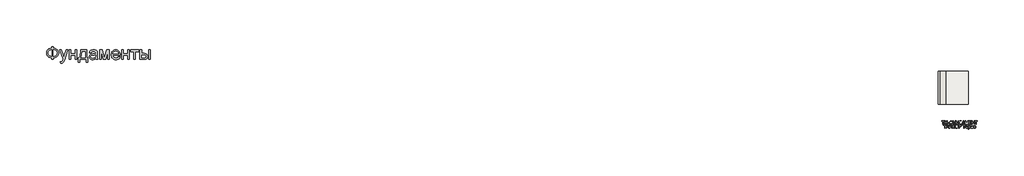
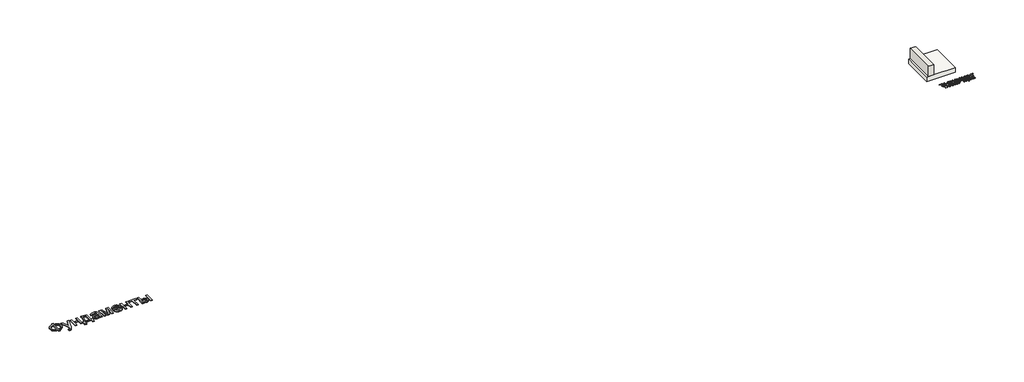
# One storey: 2 proxies, 1 slab, 1 wall.
"""IFC4 building model written with IfcOpenShell, lengths in millimetres."""

from ifc_helpers import new_model, si_unit, origin, origin_with_axes, place, context, project, spatial, polyline, outline, extrude, faceted_brep, element, save

model = new_model("IFC4")

# Units and contexts
model_context = context("Model", 3, world=origin())
ifc_project = project(units=[si_unit("LENGTHUNIT", "METRE", prefix="MILLI")], contexts=[model_context])

# Site, building, storey
site = spatial("IfcSite", under=ifc_project)
building = spatial("IfcBuilding", under=site)
storey = spatial("IfcBuildingStorey", under=building, Elevation=0.0)

# Proxies
placement = place(None, origin())
element("IfcBuildingElementProxy", 1, Name="Generic Models", at=placement, inside=storey, context=model_context, shape_type="SweptSolid", body=[
    extrude(outline(polyline([(-1939.8736325, -26885.7211043), (-1939.8736325, -26787.7817103), (-1841.9342386, -26787.7817103), (-1841.9342386, -26885.7211043), (-1772.0723186, -26894.3529698), (-1709.9695132, -26912.2144755), (-1655.6258224, -26939.3056213), (-1609.0412461, -26975.6264073), (-1571.6743546, -27019.0607113), (-1544.9837177, -27067.4924111), (-1528.9693356, -27120.9215067), (-1523.6312083, -27179.3479982), (-1528.8019587, -27236.6028514), (-1544.3142102, -27289.3863505), (-1570.1679625, -27337.6984954), (-1606.3632158, -27381.5392861), (-1628.1416397, -27401.1761824), (-1652.1109076, -27418.4817577), (-1706.6219753, -27446.0989452), (-1769.896419, -27464.3908486), (-1841.9342386, -27473.3574679), (-1841.9342386, -27571.2968619), (-1939.8736325, -27571.2968619), (-1939.8736325, -27473.3574679), (-2005.3060425, -27466.0586398), (-2065.0237272, -27449.518216), (-2119.0266865, -27423.7361966), (-2167.3149204, -27388.7125816), (-2207.0669327, -27345.8939854), (-2222.6837947, -27322.10405), (-2235.4612272, -27296.7270228), (-2245.3992303, -27269.7629041), (-2252.4978039, -27241.2116938), (-2258.1766628, -27179.3479982), (-2252.5157371, -27117.2033486), (-2245.4395801, -27088.5878775), (-2235.5329602, -27061.6103088), (-2222.7958774, -27036.2706426), (-2207.2283318, -27012.5688789), (-2188.8303234, -26990.5050176), (-2167.6018522, -26970.0790588), (-2119.4032845, -26935.3961753), (-2065.382392, -26909.775555), (-2005.5391746, -26893.217198), (-1939.8736325, -26885.7211043)]), holes=[polyline([(-1841.9342386, -26983.6604982), (-1841.9342386, -27375.418074), (-1793.3949393, -27370.2234125), (-1750.3073446, -27359.2303372), (-1712.6714545, -27342.4388481), (-1680.4872689, -27319.8489452), (-1654.7112272, -27291.9627591), (-1636.2997689, -27259.2824206), (-1625.2528939, -27221.8079296), (-1621.5706022, -27179.5392861), (-1625.1871387, -27137.922217), (-1636.036748, -27100.872146), (-1654.1194303, -27068.389073), (-1679.4351855, -27040.4729982), (-1711.2905951, -27017.6977852), (-1748.9922405, -27000.6372975), (-1792.5401216, -26989.2915352), (-1841.9342386, -26983.6604982)]), polyline([(-1939.8736325, -26983.6604982), (-1986.781007, -26988.5861611), (-2028.989873, -26999.3461043), (-2066.5002305, -27015.9403278), (-2099.3120795, -27038.3688316), (-2125.9668498, -27066.2012179), (-2145.0059715, -27099.0070891), (-2156.4294445, -27136.7864452), (-2160.2372689, -27179.5392861), (-2156.4772665, -27221.9035735), (-2145.1972594, -27259.4737085), (-2126.3972476, -27292.2496909), (-2100.077231, -27320.231521), (-2067.5044919, -27342.8692459), (-2029.9463124, -27359.612913), (-1987.4026926, -27370.4625224), (-1939.8736325, -27375.418074), (-1939.8736325, -26983.6604982)])]), origin_with_axes(), (0.0, 0.0, 1.0), 40.0),
    extrude(outline(polyline([(-1401.2069658, -27791.6604982), (-1413.4493901, -27697.355574), (-1386.764731, -27703.8115399), (-1363.7145416, -27705.9635285), (-1337.5559242, -27703.2615872), (-1317.2315871, -27695.1557634), (-1301.4025151, -27682.2199206), (-1288.7296931, -27665.0279225), (-1261.9493901, -27592.9123922), (-1254.2978749, -27569.1926952), (-1462.4190871, -26995.9029225), (-1359.1236325, -26995.9029225), (-1248.7505264, -27315.35368), (-1210.3016628, -27443.1339831), (-1171.8527992, -27330.2741346), (-1058.4190871, -26995.9029225), (-955.888784, -26995.9029225), (-1156.1671931, -27585.0695891), (-1185.9124583, -27663.4019755), (-1208.1974961, -27712.8498922), (-1234.8343333, -27753.6420323), (-1265.0099961, -27781.9048164), (-1300.0634999, -27798.403396), (-1341.3338598, -27803.9029225), (-1369.6922878, -27800.8423164), (-1401.2069658, -27791.6604982)])), origin_with_axes(), (0.0, 0.0, 1.0), 40.0),
    extrude(outline(polyline([(-874.7827234, -26995.9029225), (-776.8433295, -26995.9029225), (-776.8433295, -27216.2665588), (-519.7524204, -27216.2665588), (-519.7524204, -26995.9029225), (-421.8130264, -26995.9029225), (-421.8130264, -27571.2968619), (-519.7524204, -27571.2968619), (-519.7524204, -27314.2059528), (-776.8433295, -27314.2059528), (-776.8433295, -27571.2968619), (-874.7827234, -27571.2968619), (-874.7827234, -26995.9029225)])), origin_with_axes(), (0.0, 0.0, 1.0), 40.0),
    extrude(outline(polyline([(-189.2069658, -26995.9029225), (178.0657614, -26995.9029225), (178.0657614, -27473.3574679), (251.5203069, -27473.3574679), (251.5203069, -27730.448377), (153.5809129, -27730.448377), (153.5809129, -27571.2968619), (-250.4190871, -27571.2968619), (-250.4190871, -27730.448377), (-348.358481, -27730.448377), (-348.358481, -27473.3574679), (-287.1463598, -27473.3574679), (-263.2293972, -27436.3970631), (-242.648017, -27392.9448259), (-225.4022192, -27343.0007563), (-211.4920037, -27286.5648543), (-200.9173707, -27223.6371199), (-193.67832, -27154.2175531), (-189.7748517, -27078.306154), (-189.2069658, -26995.9029225)]), holes=[polyline([(-103.5099961, -27093.8423164), (-111.5440871, -27213.7559054), (-126.4645416, -27316.979627), (-148.2713598, -27403.5134812), (-161.7571552, -27440.521708), (-176.9645416, -27473.3574679), (80.1263675, -27473.3574679), (80.1263675, -27093.8423164), (-103.5099961, -27093.8423164)])]), origin_with_axes(), (0.0, 0.0, 1.0), 40.0),
    extrude(outline(polyline([(728.9748523, -27497.8423164), (682.181055, -27537.964949), (658.2640924, -27552.8256261), (634.0004205, -27564.2192103), (583.3330436, -27578.7092672), (529.079019, -27583.5392861), (485.4713604, -27580.6341014), (447.2317179, -27571.9185475), (414.3600914, -27557.3926242), (386.8564811, -27537.0563316), (365.1393291, -27512.2008628), (349.6270777, -27484.1174111), (340.3197269, -27452.8059764), (337.2172766, -27418.2665588), (341.9038296, -27377.6657066), (355.9634887, -27340.7949679), (377.650752, -27309.2324679), (405.2201175, -27284.5563316), (437.619502, -27265.9057634), (473.796822, -27252.4199679), (558.5373523, -27237.6908013), (658.6765569, -27222.1964831), (728.4009887, -27204.0241346), (728.9748523, -27182.2173164), (727.2891279, -27158.4737085), (722.2319546, -27138.5080361), (713.8033325, -27122.3202994), (702.0032614, -27109.9104982), (681.6071914, -27097.5246081), (656.7636781, -27088.6775437), (627.4727217, -27083.369305), (593.734322, -27081.5998922), (535.391519, -27086.3103562), (512.8195493, -27092.1984362), (494.6472008, -27100.4417482), (479.7147908, -27111.6858888), (466.8626364, -27126.5764547), (456.0907378, -27145.1134457), (447.3990948, -27167.2968619), (349.4597008, -27155.0544376), (366.4604111, -27101.4938316), (378.0990829, -27079.0175058), (391.829966, -27059.4104982), (408.2448571, -27042.2782776), (427.9355531, -27027.2263126), (450.902054, -27014.2546033), (477.1443599, -27003.3631497), (537.3283088, -26988.5861611), (606.359322, -26983.6604982), (672.5688391, -26988.0122975), (725.0534508, -27001.0676952), (764.6261307, -27020.6986138), (792.0998523, -27044.7769755), (810.3200228, -27074.5461516), (822.1320493, -27111.2495134), (825.718697, -27145.1074679), (826.9142463, -27196.9464831), (826.9142463, -27318.7968619), (828.1576175, -27424.9377236), (831.8877311, -27488.94743), (839.2523145, -27531.0068524), (851.3990948, -27571.2968619), (753.4597008, -27571.2968619), (737.7740948, -27537.2476194), (728.9748523, -27497.8423164)]), holes=[polyline([(728.9748523, -27301.9635285), (663.171822, -27318.2708202), (570.9710645, -27331.9957255), (520.1602217, -27339.5037747), (486.7087539, -27347.8726194), (464.7823807, -27358.7282066), (448.546822, -27373.6964831), (438.5042084, -27391.6297217), (435.1566705, -27411.3801952), (436.9798831, -27426.599537), (442.4495209, -27440.5037747), (451.5655839, -27453.0929083), (464.328072, -27464.3669376), (480.6174305, -27473.6563552), (500.3141042, -27480.2916535), (549.9293978, -27485.5998922), (602.5335645, -27479.7417009), (626.5401932, -27472.4189618), (649.016519, -27462.167127), (686.7002311, -27436.2715304), (712.9066705, -27405.450271), (724.5274092, -27373.6964831), (728.4009887, -27329.700271), (728.9748523, -27301.9635285)])]), origin_with_axes(), (0.0, 0.0, 1.0), 40.0),
    extrude(outline(polyline([(961.5809129, -26995.9029225), (1130.1055342, -26995.9029225), (1259.9900039, -27456.5241346), (1400.0127311, -26995.9029225), (1561.4597008, -26995.9029225), (1561.4597008, -27571.2968619), (1463.5203069, -27571.2968619), (1463.5203069, -27107.9976194), (1322.7324281, -27571.2968619), (1194.1869736, -27571.2968619), (1059.5203069, -27085.8082255), (1059.5203069, -27571.2968619), (961.5809129, -27571.2968619), (961.5809129, -26995.9029225)])), origin_with_axes(), (0.0, 0.0, 1.0), 40.0),
    extrude(outline(polyline([(2111.2210645, -27399.9029225), (2207.2475796, -27412.1453467), (2192.5243907, -27450.6061658), (2172.6483845, -27484.4999869), (2147.6195611, -27513.8268098), (2117.4379205, -27538.5866346), (2082.4143055, -27558.2534196), (2042.8595588, -27572.3011232), (1998.7736805, -27580.7297454), (1950.1566705, -27583.5392861), (1889.3869025, -27578.6913339), (1835.2404773, -27564.1474774), (1787.717395, -27539.9077165), (1746.8176554, -27505.9720513), (1713.9280957, -27463.2849656), (1690.4355531, -27412.7909433), (1676.3400275, -27354.4899845), (1671.641519, -27288.3820891), (1676.3878495, -27220.0325389), (1690.626841, -27159.7888126), (1714.3584934, -27107.6509102), (1747.5828069, -27063.6188316), (1788.374947, -27028.6370607), (1834.8100796, -27003.6500816), (1886.8882046, -26988.6578941), (1944.609322, -26983.6604982), (2000.4713604, -26988.6459386), (2050.9892936, -27003.6022596), (2096.1631218, -27028.5294613), (2135.9928448, -27063.4275437), (2168.5058064, -27107.3639783), (2191.7293504, -27159.4062369), (2205.6634769, -27219.5543192), (2210.3081857, -27287.8082255), (2209.734322, -27314.2059528), (1769.5809129, -27314.2059528), (1775.2537941, -27353.2884575), (1786.5338012, -27387.5170323), (1803.4209343, -27416.8916772), (1825.9151932, -27441.4123922), (1852.773207, -27460.7444234), (1882.7516042, -27474.5530172), (1915.850385, -27482.8381734), (1952.0695493, -27485.5998922), (2004.1954963, -27480.4829414), (2048.0960645, -27465.1320891), (2066.9618315, -27453.3798401), (2083.7712539, -27438.590896), (2098.5243315, -27420.7652567), (2111.2210645, -27399.9029225)]), holes=[polyline([(1769.5809129, -27216.2665588), (2112.3687917, -27216.2665588), (2107.3355294, -27188.5537274), (2099.1221061, -27164.5231876), (2087.7285218, -27144.1749395), (2073.1547766, -27127.5089831), (2046.4462065, -27107.4237558), (2016.0553448, -27093.0771649), (1981.9821914, -27084.4692103), (1944.2267463, -27081.5998922), (1909.7889504, -27083.889369), (1878.2085171, -27090.7577994), (1849.4854466, -27102.2051834), (1823.6197387, -27118.231521), (1801.9145422, -27138.0955716), (1785.6730057, -27161.0560948), (1774.8951293, -27187.1130906), (1769.5809129, -27216.2665588)])]), origin_with_axes(), (0.0, 0.0, 1.0), 40.0),
    extrude(outline(polyline([(2308.2475796, -26995.9029225), (2406.1869736, -26995.9029225), (2406.1869736, -27216.2665588), (2663.2778826, -27216.2665588), (2663.2778826, -26995.9029225), (2761.2172766, -26995.9029225), (2761.2172766, -27571.2968619), (2663.2778826, -27571.2968619), (2663.2778826, -27314.2059528), (2406.1869736, -27314.2059528), (2406.1869736, -27571.2968619), (2308.2475796, -27571.2968619), (2308.2475796, -26995.9029225)])), origin_with_axes(), (0.0, 0.0, 1.0), 40.0),
    extrude(outline(polyline([(2859.1566705, -26995.9029225), (3324.3687917, -26995.9029225), (3324.3687917, -27093.8423164), (3140.7324281, -27093.8423164), (3140.7324281, -27571.2968619), (3042.7930342, -27571.2968619), (3042.7930342, -27093.8423164), (2859.1566705, -27093.8423164), (2859.1566705, -26995.9029225)])), origin_with_axes(), (0.0, 0.0, 1.0), 40.0),
    extrude(outline(polyline([(3948.7324281, -26995.9029225), (4046.671822, -26995.9029225), (4046.671822, -27571.2968619), (3948.7324281, -27571.2968619), (3948.7324281, -26995.9029225)])), origin_with_axes(), (0.0, 0.0, 1.0), 40.0),
    extrude(outline(polyline([(3410.0657614, -26995.9029225), (3508.0051554, -26995.9029225), (3508.0051554, -27204.0241346), (3629.0903826, -27204.0241346), (3684.8089551, -27207.0907184), (3733.7487633, -27216.2904698), (3775.9098074, -27231.6233888), (3811.2920872, -27253.0894755), (3839.2858727, -27279.9474892), (3859.2814338, -27311.4561895), (3871.2787704, -27347.6155763), (3875.2778826, -27388.4256497), (3871.924367, -27424.8361019), (3861.8638201, -27458.5087463), (3845.096242, -27489.443583), (3821.6216326, -27517.6406119), (3790.7824399, -27541.1152212), (3751.9211118, -27557.8827994), (3705.0376483, -27567.9433462), (3650.1320493, -27571.2968619), (3410.0657614, -27571.2968619), (3410.0657614, -26995.9029225)]), holes=[polyline([(3508.0051554, -27473.3574679), (3608.6225796, -27473.3574679), (3686.6202122, -27468.2166062), (3715.8274802, -27461.790529), (3738.5070493, -27452.794021), (3755.495804, -27441.0716606), (3767.6306289, -27426.4680266), (3774.9115237, -27408.983119), (3777.3384887, -27388.6169376), (3775.5391871, -27372.1542245), (3770.1412823, -27356.6240399), (3761.1447742, -27342.0263836), (3748.5496629, -27328.3612558), (3729.8094286, -27316.8122501), (3702.3775512, -27308.5629603), (3666.2540308, -27303.6133865), (3621.4388675, -27301.9635285), (3508.0051554, -27301.9635285), (3508.0051554, -27473.3574679)])]), origin_with_axes(), (0.0, 0.0, 1.0), 40.0),
])
element("IfcBuildingElementProxy", 2, Name="Generic Models", at=placement, inside=storey, context=model_context, shape_type="SweptSolid", body=[
    extrude(outline(polyline([(52161.1342184, -31500.9542334), (52161.1342184, -31328.6465411), (52096.5188338, -31328.6465411), (52096.5188338, -31304.0311565), (52250.3649877, -31304.0311565), (52250.3649877, -31328.6465411), (52185.7496031, -31328.6465411), (52185.7496031, -31500.9542334), (52161.1342184, -31500.9542334)])), origin_with_axes(), (0.0, 0.0, 1.0), 20.0),
    extrude(outline(polyline([(52278.0572954, -31500.9542334), (52278.0572954, -31304.0311565), (52302.67268, -31304.0311565), (52302.67268, -31384.0311565), (52407.2880646, -31384.0311565), (52407.2880646, -31304.0311565), (52431.9034492, -31304.0311565), (52431.9034492, -31500.9542334), (52407.2880646, -31500.9542334), (52407.2880646, -31408.6465411), (52302.67268, -31408.6465411), (52302.67268, -31500.9542334), (52278.0572954, -31500.9542334)])), origin_with_axes(), (0.0, 0.0, 1.0), 20.0),
    extrude(outline(polyline([(52459.5957569, -31442.492695), (52459.5957569, -31417.8773104), (52536.5188338, -31417.8773104), (52536.5188338, -31442.492695), (52459.5957569, -31442.492695)])), origin_with_axes(), (0.0, 0.0, 1.0), 20.0),
    extrude(outline(polyline([(52638.0572954, -31328.6465411), (52638.0572954, -31304.0311565), (52662.67268, -31304.0311565), (52662.67268, -31328.6465411), (52695.8397473, -31335.305195), (52721.2063338, -31351.242695), (52737.3060934, -31374.3316373), (52742.67268, -31402.4446181), (52737.4743627, -31430.1008681), (52721.8794108, -31453.2619257), (52696.6810934, -31469.4878873), (52662.67268, -31476.3388488), (52662.67268, -31500.9542334), (52638.0572954, -31500.9542334), (52638.0572954, -31476.3388488), (52606.6029684, -31470.3472623), (52580.8938338, -31455.0648104), (52570.9028483, -31444.3030916), (52563.76643, -31431.94582), (52558.0572954, -31402.4446181), (52563.7484011, -31372.8532719), (52570.8622834, -31360.5275507), (52580.8217184, -31349.8484642), (52606.5128242, -31334.6922142), (52638.0572954, -31328.6465411)]), holes=[polyline([(52638.0572954, -31353.2619257), (52615.6594588, -31357.2042334), (52597.98518, -31367.0119257), (52586.500805, -31382.2523104), (52582.67268, -31402.492695), (52586.4527281, -31422.5828392), (52597.7928723, -31437.8532719), (52615.4190742, -31447.7511084), (52638.0572954, -31451.7234642), (52638.0572954, -31353.2619257)]), polyline([(52662.67268, -31353.2619257), (52662.67268, -31451.7234642), (52685.7015261, -31447.6549546), (52703.2496031, -31437.7571181), (52714.3553723, -31422.5347623), (52718.0572954, -31402.492695), (52714.4214781, -31382.7210604), (52703.5140261, -31367.5407719), (52686.032055, -31357.5287527), (52662.67268, -31353.2619257)])]), origin_with_axes(), (0.0, 0.0, 1.0), 20.0),
    extrude(outline(polyline([(52762.67268, -31304.0311565), (52789.9322954, -31304.0311565), (52848.8265261, -31420.6657719), (52901.8072954, -31304.0311565), (52928.8265261, -31304.0311565), (52854.0669108, -31457.4446181), (52833.7303723, -31495.1369257), (52824.07893, -31501.8075988), (52810.9899877, -31504.0311565), (52788.8265261, -31500.9542334), (52788.8265261, -31479.4157719), (52808.2015261, -31479.4157719), (52822.5765261, -31473.9350027), (52835.8938338, -31448.9830796), (52762.67268, -31304.0311565)])), origin_with_axes(), (0.0, 0.0, 1.0), 20.0),
    extrude(outline(polyline([(52951.9034492, -31500.9542334), (52951.9034492, -31304.0311565), (52976.5188338, -31304.0311565), (52976.5188338, -31384.0311565), (53081.1342184, -31384.0311565), (53081.1342184, -31304.0311565), (53105.7496031, -31304.0311565), (53105.7496031, -31500.9542334), (53081.1342184, -31500.9542334), (53081.1342184, -31408.6465411), (52976.5188338, -31408.6465411), (52976.5188338, -31500.9542334), (52951.9034492, -31500.9542334)])), origin_with_axes(), (0.0, 0.0, 1.0), 20.0),
    extrude(outline(polyline([(53167.2880646, -31304.0311565), (53284.2111415, -31304.0311565), (53284.2111415, -31476.3388488), (53302.67268, -31476.3388488), (53302.67268, -31547.1080796), (53278.0572954, -31547.1080796), (53278.0572954, -31500.9542334), (53151.9034492, -31500.9542334), (53151.9034492, -31547.1080796), (53127.2880646, -31547.1080796), (53127.2880646, -31476.3388488), (53142.67268, -31476.3388488), (53153.4419108, -31454.0101229), (53161.1342184, -31422.6008681), (53165.7496031, -31382.1110844), (53167.2880646, -31332.5407719), (53167.2880646, -31304.0311565)]), holes=[polyline([(53259.5957569, -31328.6465411), (53191.9034492, -31328.6465411), (53191.9034492, -31338.5503873), (53186.9034492, -31406.0023104), (53179.4996031, -31444.9806757), (53167.2880646, -31476.3388488), (53259.5957569, -31476.3388488), (53259.5957569, -31328.6465411)])]), origin_with_axes(), (0.0, 0.0, 1.0), 20.0),
    extrude(outline(polyline([(53310.5092184, -31500.9542334), (53389.1149877, -31304.0311565), (53410.0765261, -31304.0311565), (53488.6822954, -31500.9542334), (53462.67268, -31500.9542334), (53440.1246031, -31439.4157719), (53359.0188338, -31439.4157719), (53336.5188338, -31500.9542334), (53310.5092184, -31500.9542334)]), holes=[polyline([(53368.0572954, -31414.8003873), (53431.1342184, -31414.8003873), (53413.3938338, -31366.3869257), (53399.5957569, -31328.6465411), (53387.3361415, -31362.1561565), (53368.0572954, -31414.8003873)])]), origin_with_axes(), (0.0, 0.0, 1.0), 20.0),
    extrude(outline(polyline([(53514.9803723, -31500.9542334), (53514.9803723, -31304.0311565), (53557.3361415, -31304.0311565), (53597.6246031, -31442.8292334), (53605.7496031, -31471.8196181), (53614.54768, -31440.4253873), (53654.1630646, -31304.0311565), (53696.5188338, -31304.0311565), (53696.5188338, -31500.9542334), (53671.9034492, -31500.9542334), (53671.9034492, -31328.6465411), (53622.4322954, -31500.9542334), (53589.0669108, -31500.9542334), (53539.5957569, -31328.6465411), (53539.5957569, -31500.9542334), (53514.9803723, -31500.9542334)])), origin_with_axes(), (0.0, 0.0, 1.0), 20.0),
    extrude(outline(polyline([(53739.5957569, -31500.9542334), (53739.5957569, -31304.0311565), (53881.1342184, -31304.0311565), (53881.1342184, -31328.6465411), (53764.2111415, -31328.6465411), (53764.2111415, -31387.1080796), (53874.9803723, -31387.1080796), (53874.9803723, -31411.7234642), (53764.2111415, -31411.7234642), (53764.2111415, -31476.3388488), (53884.2111415, -31476.3388488), (53884.2111415, -31500.9542334), (53739.5957569, -31500.9542334)])), origin_with_axes(), (0.0, 0.0, 1.0), 20.0),
    extrude(outline(polyline([(53921.1342184, -31500.9542334), (53921.1342184, -31304.0311565), (53945.7496031, -31304.0311565), (53945.7496031, -31384.0311565), (54050.3649877, -31384.0311565), (54050.3649877, -31304.0311565), (54074.9803723, -31304.0311565), (54074.9803723, -31500.9542334), (54050.3649877, -31500.9542334), (54050.3649877, -31408.6465411), (53945.7496031, -31408.6465411), (53945.7496031, -31500.9542334), (53921.1342184, -31500.9542334)])), origin_with_axes(), (0.0, 0.0, 1.0), 20.0),
    extrude(outline(polyline([(54167.2880646, -31500.9542334), (54167.2880646, -31328.6465411), (54102.67268, -31328.6465411), (54102.67268, -31304.0311565), (54256.5188338, -31304.0311565), (54256.5188338, -31328.6465411), (54191.9034492, -31328.6465411), (54191.9034492, -31500.9542334), (54167.2880646, -31500.9542334)])), origin_with_axes(), (0.0, 0.0, 1.0), 20.0),
    extrude(outline(polyline([(52256.5188338, -31744.0311565), (52256.5188338, -31571.7234642), (52191.9034492, -31571.7234642), (52191.9034492, -31547.1080796), (52345.7496031, -31547.1080796), (52345.7496031, -31571.7234642), (52281.1342184, -31571.7234642), (52281.1342184, -31744.0311565), (52256.5188338, -31744.0311565)])), origin_with_axes(), (0.0, 0.0, 1.0), 20.0),
    extrude(outline(polyline([(52350.5092184, -31744.0311565), (52429.1149877, -31547.1080796), (52450.0765261, -31547.1080796), (52528.6822954, -31744.0311565), (52502.67268, -31744.0311565), (52480.1246031, -31682.492695), (52399.0188338, -31682.492695), (52376.5188338, -31744.0311565), (52350.5092184, -31744.0311565)]), holes=[polyline([(52408.0572954, -31657.8773104), (52471.1342184, -31657.8773104), (52453.3938338, -31609.4638488), (52439.5957569, -31571.7234642), (52427.3361415, -31605.2330796), (52408.0572954, -31657.8773104)])]), origin_with_axes(), (0.0, 0.0, 1.0), 20.0),
    extrude(outline(polyline([(52653.4419108, -31497.8773104), (52671.9034492, -31497.8773104), (52667.9310934, -31513.6405315), (52659.9563338, -31525.2571181), (52648.3397473, -31532.41457), (52633.4419108, -31534.8003873), (52617.2760454, -31532.4325988), (52604.7399877, -31525.3292334), (52596.1702761, -31513.7306757), (52591.9034492, -31497.8773104), (52610.3649877, -31497.8773104), (52617.2880646, -31511.7475027), (52631.2303723, -31516.3388488), (52646.5188338, -31511.8917334), (52653.4419108, -31497.8773104)])), origin_with_axes(), (0.0, 0.0, 1.0), 20.0),
    extrude(outline(polyline([(52554.9803723, -31547.1080796), (52579.5957569, -31547.1080796), (52579.5957569, -31703.0696181), (52682.67268, -31547.1080796), (52708.8265261, -31547.1080796), (52708.8265261, -31744.0311565), (52684.2111415, -31744.0311565), (52684.2111415, -31588.5023104), (52581.3746031, -31744.0311565), (52554.9803723, -31744.0311565), (52554.9803723, -31547.1080796)])), origin_with_axes(), (0.0, 0.0, 1.0), 20.0),
    extrude(outline(polyline([(52751.9034492, -31547.1080796), (52776.5188338, -31547.1080796), (52776.5188338, -31633.2619257), (52793.1834973, -31631.63332), (52804.0428723, -31626.7475027), (52812.8229204, -31615.2511084), (52823.2496031, -31593.7907719), (52836.8313338, -31566.2667334), (52852.2159492, -31552.6369257), (52874.2111415, -31547.1080796), (52890.3649877, -31547.3965411), (52890.3649877, -31572.0119257), (52884.9322954, -31571.867695), (52879.4996031, -31571.7234642), (52868.2255646, -31573.2018296), (52860.2688338, -31577.6369257), (52845.6534492, -31602.9734642), (52828.2255646, -31633.8388488), (52811.2303723, -31644.0311565), (52830.2327761, -31655.1609642), (52848.9707569, -31678.3580796), (52890.3649877, -31744.0311565), (52861.8072954, -31744.0311565), (52826.8072954, -31688.5503873), (52802.1678723, -31659.5840411), (52790.7916704, -31653.6886084), (52776.5188338, -31651.7234642), (52776.5188338, -31744.0311565), (52751.9034492, -31744.0311565), (52751.9034492, -31547.1080796)])), origin_with_axes(), (0.0, 0.0, 1.0), 20.0),
    extrude(outline(polyline([(52902.67268, -31648.1657719), (52904.313305, -31625.0678152), (52909.23518, -31604.6200988), (52917.438305, -31586.8226229), (52928.92268, -31571.6753873), (52943.000204, -31559.5810363), (52958.9827761, -31550.9422142), (52976.8703963, -31545.7589209), (52996.6630646, -31544.0311565), (53022.4923915, -31547.2763488), (53045.6534492, -31557.0119257), (53064.8842184, -31572.5527911), (53078.92268, -31593.2138488), (53087.5044108, -31617.9975027), (53090.3649877, -31645.9061565), (53087.3541704, -31674.1874065), (53078.3217184, -31699.3196181), (53063.76643, -31720.0167334), (53044.1871031, -31734.992695), (53021.2243627, -31744.0792334), (52996.5188338, -31747.1080796), (52970.2928723, -31743.7607238), (52946.9996031, -31733.7186565), (52927.8169108, -31717.8893296), (52913.92268, -31697.180195), (52905.48518, -31673.35207), (52902.67268, -31648.1657719)]), holes=[polyline([(52927.2880646, -31648.4061565), (52932.2099396, -31679.211445), (52946.9755646, -31702.6850027), (52969.1690742, -31717.5407719), (52996.3746031, -31722.492695), (53023.9767665, -31717.492695), (53046.2063338, -31702.492695), (53054.7565141, -31691.4440171), (53060.8637858, -31678.2979834), (53065.7496031, -31645.7138488), (53063.6582569, -31623.9229834), (53057.3842184, -31605.0888488), (53047.0897473, -31589.6862046), (53032.9371031, -31578.1898104), (53015.8637858, -31571.0323584), (52996.8072954, -31568.6465411), (52970.32893, -31573.2438969), (52947.8169108, -31587.0359642), (52938.8355406, -31597.7676349), (52932.4202761, -31611.5732238), (52927.2880646, -31648.4061565)])]), origin_with_axes(), (0.0, 0.0, 1.0), 20.0),
    extrude(outline(polyline([(53124.2111415, -31744.0311565), (53124.2111415, -31547.1080796), (53197.1919108, -31547.1080796), (53226.6149877, -31548.9830796), (53250.5332569, -31558.1898104), (53259.2291704, -31566.3508681), (53266.0380646, -31577.2282719), (53271.9034492, -31604.0792334), (53267.9431127, -31627.2883681), (53256.0621031, -31646.6273104), (53246.5473795, -31654.2414931), (53233.844555, -31659.680195), (53198.8746031, -31664.0311565), (53148.8265261, -31664.0311565), (53148.8265261, -31744.0311565), (53124.2111415, -31744.0311565)]), holes=[polyline([(53148.8265261, -31639.4157719), (53200.3169108, -31639.4157719), (53222.1438338, -31637.1561565), (53236.5669108, -31630.3773104), (53244.6077761, -31619.4999065), (53247.2880646, -31604.9446181), (53245.7075358, -31593.8869257), (53240.9659492, -31584.5600027), (53233.6522473, -31577.5407719), (53224.3553723, -31573.4061565), (53199.7399877, -31571.7234642), (53148.8265261, -31571.7234642), (53148.8265261, -31639.4157719)])]), origin_with_axes(), (0.0, 0.0, 1.0), 20.0),
    extrude(outline(polyline([(53431.9034492, -31744.0311565), (53431.9034492, -31571.7234642), (53367.2880646, -31571.7234642), (53367.2880646, -31547.1080796), (53521.1342184, -31547.1080796), (53521.1342184, -31571.7234642), (53456.5188338, -31571.7234642), (53456.5188338, -31744.0311565), (53431.9034492, -31744.0311565)])), origin_with_axes(), (0.0, 0.0, 1.0), 20.0),
    extrude(outline(polyline([(53646.9996031, -31700.9542334), (53671.1342184, -31704.0311565), (53662.438305, -31722.2162527), (53648.5621031, -31735.8100027), (53629.8181127, -31744.2835604), (53606.5188338, -31747.1080796), (53577.6366223, -31742.2342815), (53555.4130646, -31727.6128873), (53541.2423915, -31704.1934161), (53536.5188338, -31672.9253873), (53541.2904684, -31640.6056757), (53555.6053723, -31616.4350027), (53577.5284492, -31601.3628873), (53605.1246031, -31596.3388488), (53631.8613819, -31601.3508681), (53653.2255646, -31616.3869257), (53667.2339781, -31640.5095219), (53671.9034492, -31672.7811565), (53671.7592184, -31679.4157719), (53561.1342184, -31679.4157719), (53565.3950358, -31697.8412527), (53575.2928723, -31711.3869257), (53589.5777281, -31719.7162527), (53606.9996031, -31722.492695), (53631.1342184, -31717.3484642), (53640.1005646, -31710.6777911), (53646.9996031, -31700.9542334)]), holes=[polyline([(53561.1342184, -31654.8003873), (53647.2880646, -31654.8003873), (53643.9587377, -31641.7955796), (53637.4322954, -31632.492695), (53623.0813338, -31623.8388488), (53605.0284492, -31620.9542334), (53588.4359011, -31623.2559161), (53574.7159492, -31630.1609642), (53565.1786896, -31640.9241854), (53561.1342184, -31654.8003873)])]), origin_with_axes(), (0.0, 0.0, 1.0), 20.0),
    extrude(outline(polyline([(53696.5188338, -31799.4157719), (53696.5188338, -31599.4157719), (53721.1342184, -31599.4157719), (53721.1342184, -31623.5503873), (53738.1534492, -31603.1417334), (53748.6342184, -31598.03957), (53761.1342184, -31596.3388488), (53777.7808531, -31598.7186565), (53792.3361415, -31605.8580796), (53804.1871031, -31617.3244257), (53812.7207569, -31632.6850027), (53817.8770069, -31650.8220219), (53819.5957569, -31670.617695), (53817.6546511, -31691.6693777), (53811.8313338, -31710.4975027), (53802.3121031, -31726.1465411), (53789.2832569, -31737.6609642), (53774.1089781, -31744.7463007), (53758.1534492, -31747.1080796), (53746.8373434, -31745.5275507), (53736.73518, -31740.7859642), (53721.1342184, -31724.8003873), (53721.1342184, -31799.4157719), (53696.5188338, -31799.4157719)]), holes=[polyline([(53721.1342184, -31672.8773104), (53723.7964781, -31694.9446181), (53731.7832569, -31710.3773104), (53743.5681127, -31719.4638488), (53757.6246031, -31722.492695), (53771.9094588, -31719.3556757), (53783.9947954, -31709.9446181), (53792.2339781, -31693.9470219), (53794.9803723, -31671.0503873), (53792.3000838, -31649.1032719), (53784.2592184, -31633.4542334), (53772.4923915, -31624.0792334), (53758.6342184, -31620.9542334), (53744.7219588, -31624.2775507), (53732.5044108, -31634.2475027), (53723.9767665, -31650.5515892), (53721.1342184, -31672.8773104)])]), origin_with_axes(), (0.0, 0.0, 1.0), 20.0),
    extrude(outline(polyline([(53847.2880646, -31599.4157719), (53889.6438338, -31599.4157719), (53922.2880646, -31715.1850027), (53957.4803723, -31599.4157719), (53998.0572954, -31599.4157719), (53998.0572954, -31744.0311565), (53973.4419108, -31744.0311565), (53973.4419108, -31627.5888488), (53938.0572954, -31744.0311565), (53905.7496031, -31744.0311565), (53871.9034492, -31622.0119257), (53871.9034492, -31744.0311565), (53847.2880646, -31744.0311565), (53847.2880646, -31599.4157719)])), origin_with_axes(), (0.0, 0.0, 1.0), 20.0),
    extrude(outline(polyline([(54028.8265261, -31671.7234642), (54034.1510454, -31636.8556757), (54040.8066944, -31623.3069979), (54050.1246031, -31612.3484642), (54069.86018, -31600.3412527), (54093.4899877, -31596.3388488), (54119.3493627, -31601.2126469), (54140.0044108, -31615.8340411), (54153.5440742, -31639.0491854), (54158.0572954, -31669.7042334), (54156.0621031, -31694.5720219), (54150.0765261, -31713.5023104), (54140.2748434, -31727.6789931), (54126.8313338, -31738.2859642), (54110.8637858, -31744.9025507), (54093.4899877, -31747.1080796), (54067.3181127, -31742.2523104), (54046.6871031, -31727.6850027), (54033.2916704, -31703.9830796), (54028.8265261, -31671.7234642)]), holes=[polyline([(54053.4419108, -31671.6753873), (54056.2904684, -31693.9530315), (54064.8361415, -31709.8244257), (54077.6967184, -31719.3256277), (54093.4899877, -31722.492695), (54109.2111415, -31719.3075988), (54122.04768, -31709.7523104), (54130.5933531, -31693.6705796), (54133.4419108, -31670.9061565), (54130.5753242, -31649.2775507), (54121.9755646, -31633.6225027), (54109.1209973, -31624.1213007), (54093.4899877, -31620.9542334), (54077.6967184, -31624.1092815), (54064.8361415, -31633.5744257), (54056.2904684, -31649.4097623), (54053.4419108, -31671.6753873)])]), origin_with_axes(), (0.0, 0.0, 1.0), 20.0),
])

# Slab
element("IfcSlab", 3, at=placement, inside=storey, context=model_context, shape_type="Brep", body=[
    faceted_brep([(51881.3955952, -28302.6148653, -303.0), (53706.3955952, -28302.6148653, -303.0), (53706.3955952, -30302.6148653, -303.0), (51881.3955952, -30302.6148653, -303.0), (51881.3955952, -28302.6148653, 0.0), (51881.3955952, -30302.6148653, 0.0), (51985.8955952, -30302.6148653, 0.0), (52337.8955952, -30302.6148653, 0.0), (53706.3955952, -30302.6148653, 0.0), (53706.3955952, -28302.6148653, 0.0), (52337.8955952, -28302.6148653, 0.0), (51985.8955952, -28302.6148653, 0.0)], [[[0, 1, 2, 3]], [[4, 5, 6, 7, 8, 9, 10, 11]], [[1, 0, 4, 11, 10, 9]], [[2, 1, 9, 8]], [[3, 2, 8, 7, 6, 5]], [[0, 3, 5, 4]]]),
])

# Wall
element("IfcWall", 4, at=placement, inside=storey, context=model_context, shape_type="SweptSolid", body=[
    extrude(outline(polyline([(51985.8955952, -30302.6148653), (51985.8955952, -28302.6148653), (52337.8955952, -28302.6148653), (52337.8955952, -30302.6148653), (51985.8955952, -30302.6148653)])), origin_with_axes(), (0.0, 0.0, 1.0), 689.0),
])

save(model, "model.ifc")
